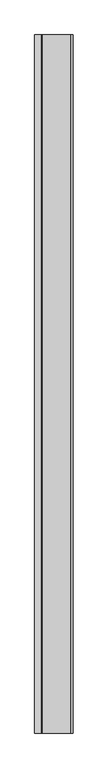
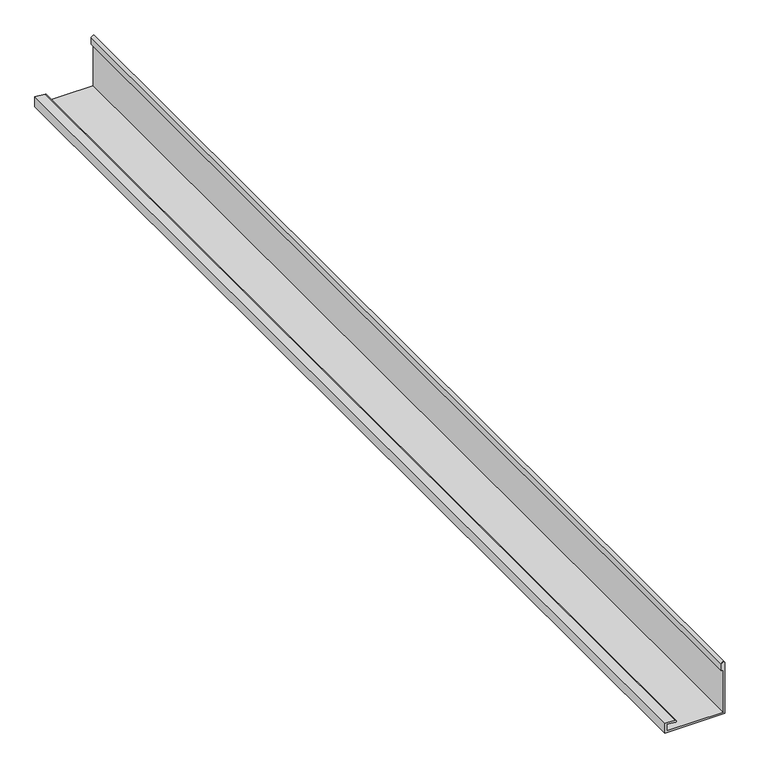
"""IFC4 building model written with IfcOpenShell, lengths in millimetres: proxy geometry."""

from ifc_helpers import new_model, si_unit, point, frame, frame_2d, origin, place, context, project, spatial, polyline, circle_curve, trimmed, segment, composite_curve, outline, extrude, source, transform, mapped, element, save


def generic_models_1360a12d(model_context):
    return source(origin(), model_context, "Body", "SweptSolid", [
        extrude(outline(composite_curve([segment(polyline([(3799.2452806, -11767.1861291), (3799.2452806, -11597.1861291), (3949.6655464, -11597.1861291)]), True, "CONTINUOUS"), segment(trimmed(circle_curve(frame_2d((3949.6655464, -11602.1861291)), 5.0), [point((3949.6655464, -11597.1861291))], [point((3949.6655464, -11607.1861291))], False, "CARTESIAN"), True, "CONTINUOUS"), segment(polyline([(3949.6655464, -11607.1861291), (3929.6655464, -11607.1861291), (3929.6655464, -11602.1861291), (3804.2452806, -11602.1861291), (3804.2452806, -11762.1861291), (3823.7887381, -11762.1861291), (3821.6496348, -11737.7360669)]), True, "CONTINUOUS"), segment(trimmed(circle_curve(frame_2d((3824.1401216, -11737.5181775)), 2.5), [point((3821.6496348, -11737.7360669))], [point((3826.6306083, -11737.3002882))], False, "CARTESIAN"), True, "CONTINUOUS"), segment(polyline([(3826.6306083, -11737.3002882), (3829.2452806, -11767.1861291), (3799.2452806, -11767.1861291)]), True, "CONTINUOUS")], self_intersect=False)), frame((0.0, -1346.7884221, 0.0), z_axis=(0.0, 1.0, 0.0), x_axis=(0.0, 0.0, 1.0)), (0.0, 0.0, 1.0), 3090.0),
    ])


if __name__ == "__main__":
    model = new_model("IFC4")
    model_context = context("Model", 3, world=origin())
    ifc_project = project(units=[si_unit("LENGTHUNIT", "METRE", prefix="MILLI")], contexts=[model_context])
    site = spatial("IfcSite", under=ifc_project)
    building = spatial("IfcBuilding", under=site)
    placement = place(None, origin())
    generic_models_shape = generic_models_1360a12d(model_context)
    element("IfcBuildingElementProxy", 1, Name="Generic Models", at=placement, inside=building, context=model_context, shape_type="MappedRepresentation", body=[
        mapped(generic_models_shape, transform((0.0, 0.0, 0.0), x_axis=(1.0, 0.0, 0.0), y_axis=(0.0, 1.0, 0.0), z_axis=(0.0, 0.0, 1.0))),
    ])
    save(model, "model.ifc")
